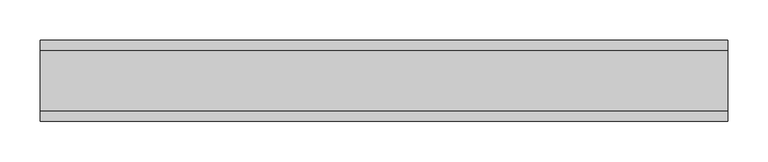
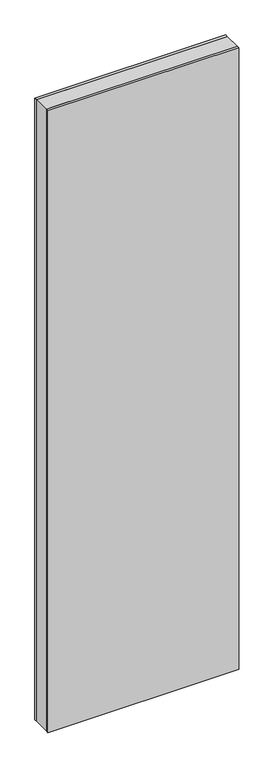
"""IFC4 building model written with IfcOpenShell, lengths in millimetres: plate geometry."""

from ifc_helpers import new_model, si_unit, origin, origin_with_axes, place, context, project, spatial, polyline, outline, extrude, source, transform, mapped, element, save


def plate_6e36299c(model_context):
    return source(origin(), model_context, "Body", "SweptSolid", [
        extrude(outline(polyline([(425.3847577, 37.0), (425.3847577, -37.0), (-425.3847577, -37.0), (-425.3847577, 37.0), (425.3847577, 37.0)])), origin_with_axes(), (0.0, 0.0, 1.0), 2931.0),
        extrude(outline(polyline([(425.3847577, 50.0), (425.3847577, 37.0), (-425.3847577, 37.0), (-425.3847577, 50.0), (425.3847577, 50.0)])), origin_with_axes(), (0.0, 0.0, 1.0), 2931.0),
        extrude(outline(polyline([(-425.3847577, -50.0), (-425.3847577, -37.0), (425.3847577, -37.0), (425.3847577, -50.0), (-425.3847577, -50.0)])), origin_with_axes(), (0.0, 0.0, 1.0), 2931.0),
    ])


if __name__ == "__main__":
    model = new_model("IFC4")
    model_context = context("Model", 3, world=origin())
    ifc_project = project(units=[si_unit("LENGTHUNIT", "METRE", prefix="MILLI")], contexts=[model_context])
    site = spatial("IfcSite", under=ifc_project)
    building = spatial("IfcBuilding", under=site)
    placement = place(None, origin())
    plate_shape = plate_6e36299c(model_context)
    element("IfcPlate", 1, at=placement, inside=building, context=model_context, shape_type="MappedRepresentation", body=[
        mapped(plate_shape, transform((0.0, 0.0, 0.0), x_axis=(1.0, 0.0, 0.0), y_axis=(0.0, 1.0, 0.0), z_axis=(0.0, 0.0, 1.0))),
    ])
    save(model, "model.ifc")
